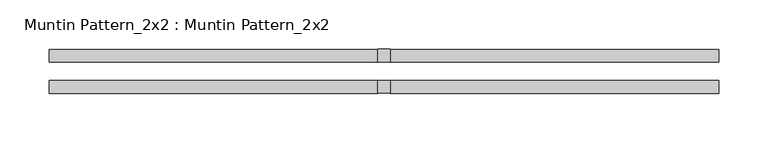
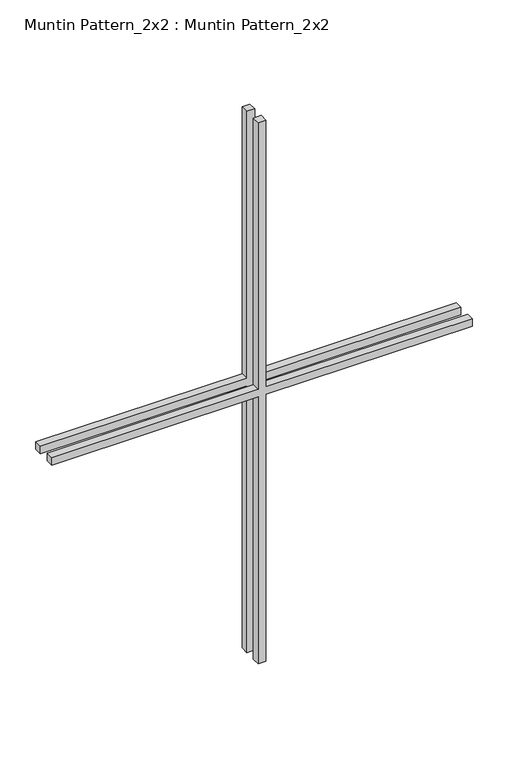
"""IFC4 building model written with IfcOpenShell, lengths in millimetres: proxy geometry, Muntin Pattern_2x2 : Muntin Pattern_2x2."""

from ifc_helpers import new_model, si_unit, frame, origin, place, context, project, spatial, polyline, outline, extrude, source, transform, mapped, element, save


def muntin_pattern_2x2_muntin_pattern_2x2_7cdcbd1e(model_context):
    return source(origin(), model_context, "Body", "SweptSolid", [
        extrude(outline(polyline([(466.725, -6.35), (466.725, -338.1375), (454.025, -338.1375), (454.025, -6.35), (0.0, -6.35), (0.0, 6.35), (454.025, 6.35), (454.025, 338.1375), (466.725, 338.1375), (466.725, 6.35), (920.75, 6.35), (920.75, -6.35), (466.725, -6.35)])), frame((0.0, 9.525, 0.0), z_axis=(0.0, 1.0, 0.0), x_axis=(0.0, 0.0, 1.0)), (0.0, 0.0, 1.0), 12.7),
        extrude(outline(polyline([(466.725, -6.35), (466.725, -338.1375), (454.025, -338.1375), (454.025, -6.35), (0.0, -6.35), (0.0, 6.35), (454.025, 6.35), (454.025, 338.1375), (466.725, 338.1375), (466.725, 6.35), (920.75, 6.35), (920.75, -6.35), (466.725, -6.35)])), frame((0.0, -22.225, 0.0), z_axis=(0.0, 1.0, 0.0), x_axis=(0.0, 0.0, 1.0)), (0.0, 0.0, 1.0), 12.7),
    ])


if __name__ == "__main__":
    model = new_model("IFC4")
    model_context = context("Model", 3, world=origin())
    ifc_project = project(units=[si_unit("LENGTHUNIT", "METRE", prefix="MILLI")], contexts=[model_context])
    site = spatial("IfcSite", under=ifc_project)
    building = spatial("IfcBuilding", under=site)
    placement = place(None, origin())
    muntin_pattern_2x2_muntin_pattern_2x2_shape = muntin_pattern_2x2_muntin_pattern_2x2_7cdcbd1e(model_context)
    element("IfcBuildingElementProxy", 1, Name="Muntin Pattern_2x2 : Muntin Pattern_2x2", ObjectType="Muntin Pattern_2x2 : Muntin Pattern_2x2", at=placement, inside=building, context=model_context, shape_type="MappedRepresentation", body=[
        mapped(muntin_pattern_2x2_muntin_pattern_2x2_shape, transform((0.0, 0.0, 0.0), x_axis=(1.0, 0.0, 0.0), y_axis=(0.0, 1.0, 0.0), z_axis=(0.0, 0.0, 1.0))),
    ])
    save(model, "model.ifc")
